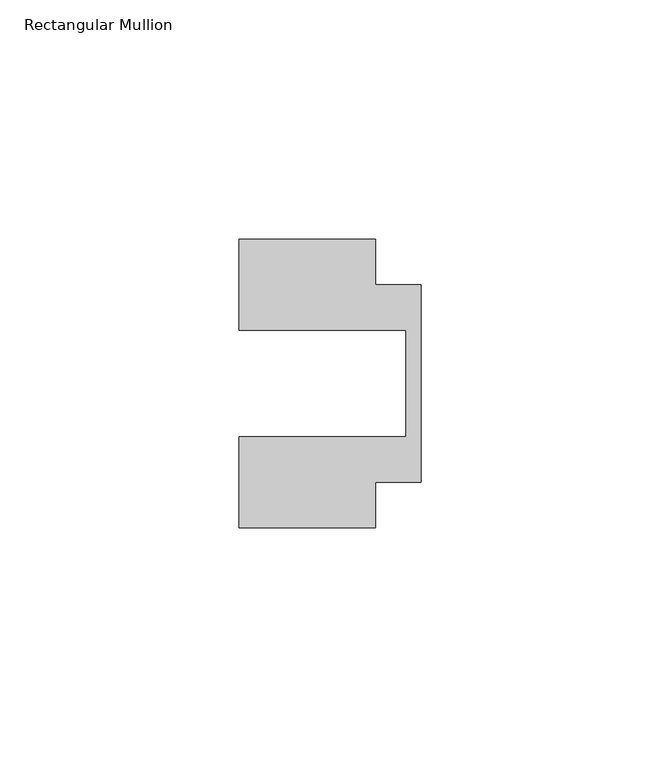
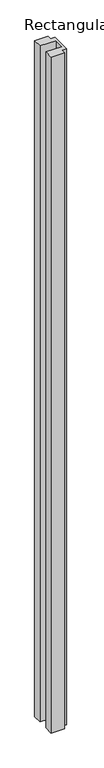
"""IFC4 building model written with IfcOpenShell, lengths in millimetres: member geometry, Rectangular Mullion."""

from ifc_helpers import new_model, si_unit, frame, origin, place, context, project, spatial, polyline, outline, extrude, source, transform, mapped, element, save


def rectangular_mullion_a2bb0770(model_context):
    return source(origin(), model_context, "Body", "SweptSolid", [
        extrude(outline(polyline([(-38.1, 11.1125), (-38.1, 30.1625), (-9.525, 30.1625), (-9.525, 20.6375), (0.0, 20.6375), (0.0, -20.6375), (-9.525, -20.6375), (-9.525, -30.1625), (-38.1, -30.1625), (-38.1, -11.1125), (-3.175, -11.1125), (-3.175, 11.1125), (-38.1, 11.1125)])), frame((0.0, 0.0, -1524.0), z_axis=(0.0, 0.0, 1.0), x_axis=(1.0, 0.0, 0.0)), (0.0, 0.0, 1.0), 1524.0),
    ])


if __name__ == "__main__":
    model = new_model("IFC4")
    model_context = context("Model", 3, world=origin())
    ifc_project = project(units=[si_unit("LENGTHUNIT", "METRE", prefix="MILLI")], contexts=[model_context])
    site = spatial("IfcSite", under=ifc_project)
    building = spatial("IfcBuilding", under=site)
    placement = place(None, origin())
    rectangular_mullion_shape = rectangular_mullion_a2bb0770(model_context)
    element("IfcMember", 1, ObjectType="Rectangular Mullion", at=placement, inside=building, context=model_context, shape_type="MappedRepresentation", body=[
        mapped(rectangular_mullion_shape, transform((0.0, 0.0, 0.0), x_axis=(1.0, 0.0, 0.0), y_axis=(0.0, 1.0, 0.0), z_axis=(0.0, 0.0, 1.0))),
    ])
    save(model, "model.ifc")
